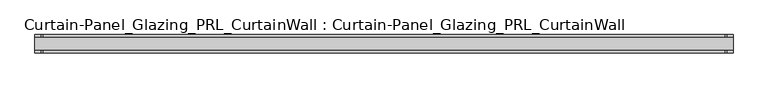
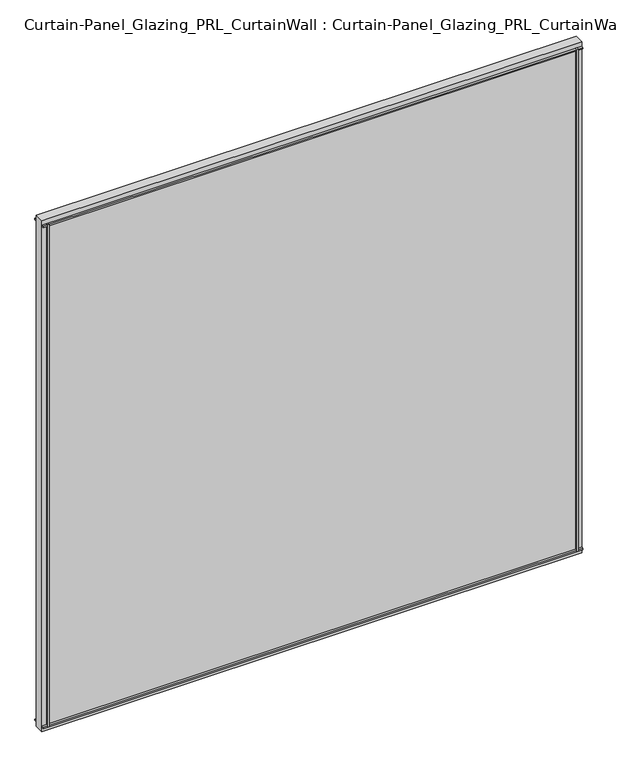
"""IFC4 building model written with IfcOpenShell, lengths in millimetres: plate geometry, Curtain-Panel_Glazing_PRL_CurtainWall : Curtain-Panel_Glazing_PRL_CurtainWall."""

import ifcopenshell
import ifcopenshell.guid

model = None  # the IFC model being written
_history = None  # IfcOwnerHistory: only IFC2X3 demands one
_inside = {}  # id of a spatial element -> (the spatial element, [elements in it])
_under = {}  # id of a project, library or spatial element -> (it, [spatial elements below it])
_declared = {}  # id of a project -> (the project, [libraries it declares])
_typed = {}  # id of a type object -> (the type object, [elements of that type])
_made_of = {}  # id of a material, layer set ... -> (it, [elements and type objects made of it])


def new_model(schema):
    """Start an empty IFC model of exactly this schema.

    Asked for "IFC4X3", IfcOpenShell would pick the latest addendum, in which some entities
    have other attributes; the version numbers below select the first issue.
    IFC2X3 requires an IfcOwnerHistory on every rooted entity: one is made here for all.
    """
    global model, _history
    if schema == "IFC4X3":
        model = ifcopenshell.file(schema_version=(4, 3, 0, 0))
    else:
        model = ifcopenshell.file(schema=schema)
    _inside.clear()
    _under.clear()
    _declared.clear()
    _typed.clear()
    _made_of.clear()
    _history = None
    if model.schema == "IFC2X3":
        org = make("IfcOrganization", Name="unknown")
        user = make(
            "IfcPersonAndOrganization",
            ThePerson=make("IfcPerson", FamilyName="unknown"),
            TheOrganization=org,
        )
        app = make(
            "IfcApplication",
            ApplicationDeveloper=org,
            Version="unknown",
            ApplicationFullName="unknown",
            ApplicationIdentifier="unknown",
        )
        _history = make(
            "IfcOwnerHistory",
            OwningUser=user,
            OwningApplication=app,
            ChangeAction="ADDED",
            CreationDate=0,
        )
    return model


def make(cls, **values):
    """One entity of the class cls with the attributes given. An attribute that is None is left unset."""
    return model.create_entity(
        cls, **{name: value for name, value in values.items() if value is not None}
    )


def rooted(cls, **values):
    """An entity with a GlobalId (a new one), such as an element, a storey or a relation."""
    return make(cls, GlobalId=ifcopenshell.guid.new(), OwnerHistory=_history, **values)


def si_unit(unit_type, name, prefix=None):
    """IfcSIUnit, for example si_unit("LENGTHUNIT", "METRE", prefix="MILLI")."""
    return make("IfcSIUnit", UnitType=unit_type, Prefix=prefix, Name=name)


def assignment(units):
    """IfcUnitAssignment: the units of a project."""
    return None if units is None else make("IfcUnitAssignment", Units=units)


def point(xyz):
    """IfcCartesianPoint."""
    return None if xyz is None else make("IfcCartesianPoint", Coordinates=xyz)


def direction(xyz):
    """IfcDirection."""
    return None if xyz is None else make("IfcDirection", DirectionRatios=xyz)


def frame(location, z_axis=None, x_axis=None):
    """IfcAxis2Placement3D, a coordinate frame: its origin and axes. An axis left out is left unset."""
    return make(
        "IfcAxis2Placement3D",
        Location=point(location),
        Axis=direction(z_axis),
        RefDirection=direction(x_axis),
    )


def origin():
    """The frame at (0, 0, 0) with its axes left unset."""
    return frame((0.0, 0.0, 0.0))


def origin_with_axes():
    """The frame at (0, 0, 0) with the z axis (0, 0, 1) and the x axis (1, 0, 0) written out."""
    return frame((0.0, 0.0, 0.0), z_axis=(0.0, 0.0, 1.0), x_axis=(1.0, 0.0, 0.0))


def place(relative_to, where):
    """IfcLocalPlacement: puts the frame where relative to a parent placement (None: the world)."""
    return make(
        "IfcLocalPlacement", PlacementRelTo=relative_to, RelativePlacement=where
    )


def context(
    kind, dimensions, precision=None, world=None, true_north=None, identifier=None
):
    """IfcGeometricRepresentationContext, for example the 3D "Model" context."""
    return make(
        "IfcGeometricRepresentationContext",
        ContextIdentifier=identifier,
        ContextType=kind,
        CoordinateSpaceDimension=dimensions,
        Precision=precision,
        WorldCoordinateSystem=world,
        TrueNorth=true_north,
    )


def project(units=None, contexts=None):
    """IfcProject with its units and contexts."""
    return rooted(
        "IfcProject",
        Name="project",
        RepresentationContexts=contexts,
        UnitsInContext=assignment(units),
    )


def spatial(cls, under=None, at=None, **own):
    """A site, building, storey or space (cls), placed at a placement, below another one or the project."""
    s = rooted(cls, ObjectPlacement=at, **own)
    if under is not None:
        _under.setdefault(under.id(), (under, []))[1].append(s)
    return s


def polyline(points):
    """IfcPolyline through the points."""
    return make("IfcPolyline", Points=[point(p) for p in points])


def outline(outer, holes=None, kind="AREA"):
    """IfcArbitraryClosedProfileDef: a profile drawn as a closed curve; with holes, ...WithVoids."""
    if holes is None:
        return make("IfcArbitraryClosedProfileDef", ProfileType=kind, OuterCurve=outer)
    return make(
        "IfcArbitraryProfileDefWithVoids",
        ProfileType=kind,
        OuterCurve=outer,
        InnerCurves=holes,
    )


def extrude(swept, where, along, depth):
    """IfcExtrudedAreaSolid: the profile swept, set in the frame where, extruded along a direction by depth."""
    return make(
        "IfcExtrudedAreaSolid",
        SweptArea=swept,
        Position=where,
        ExtrudedDirection=direction(along),
        Depth=depth,
    )


def shape(context_of_items, identifier, shape_type, items):
    """IfcShapeRepresentation: the items that make up one representation, for example the "Body"."""
    return make(
        "IfcShapeRepresentation",
        ContextOfItems=context_of_items,
        RepresentationIdentifier=identifier,
        RepresentationType=shape_type,
        Items=items,
    )


def source(mapping_origin, context_of_items, identifier, shape_type, items):
    """IfcRepresentationMap: a shape defined once, which mapped items show again and again."""
    return make(
        "IfcRepresentationMap",
        MappingOrigin=mapping_origin,
        MappedRepresentation=shape(context_of_items, identifier, shape_type, items),
    )


def transform(
    local_origin,
    x_axis=None,
    y_axis=None,
    z_axis=None,
    scale=None,
    scale2=None,
    scale3=None,
    uniform=True,
):
    """IfcCartesianTransformationOperator3D, or its non-uniform kind. x_axis, y_axis, z_axis: its Axis1, 2, 3."""
    if uniform:
        return make(
            "IfcCartesianTransformationOperator3D",
            Axis1=direction(x_axis),
            Axis2=direction(y_axis),
            LocalOrigin=point(local_origin),
            Scale=scale,
            Axis3=direction(z_axis),
        )
    return make(
        "IfcCartesianTransformationOperator3DnonUniform",
        Axis1=direction(x_axis),
        Axis2=direction(y_axis),
        LocalOrigin=point(local_origin),
        Scale=scale,
        Axis3=direction(z_axis),
        Scale2=scale2,
        Scale3=scale3,
    )


def mapped(mapping_source, mapping_target):
    """IfcMappedItem: shows the shape of a source again, moved by a transform."""
    return make(
        "IfcMappedItem", MappingSource=mapping_source, MappingTarget=mapping_target
    )


def made_of(thing, what):
    """Note that an element or type object is made of a material, layer set ...; save() writes the relation."""
    if what is not None:
        _made_of.setdefault(what.id(), (what, []))[1].append(thing)
    return thing


def element(
    cls,
    number,
    at=None,
    inside=None,
    cuts=None,
    type_object=None,
    material=None,
    context=None,
    identifier="Body",
    shape_type=None,
    held_by="IfcProductDefinitionShape",
    body=None,
    shapes=None,
    **own,
):
    """One element of the class cls, such as IfcWall. Its Tag is "e" and its number.

    at: its placement. inside: the storey or other place that contains it. cuts: it is an
    opening in that element (IfcRelVoidsElement). A single representation is given by context,
    identifier, shape_type and body (its items); several are given by shapes. held_by: the class
    of the entity that holds the representations. save() writes the other relations.
    """
    e = rooted(cls, Tag="e%d" % number, ObjectPlacement=at, **own)
    if body is not None:
        shapes = [shape(context, identifier, shape_type, body)]
    if shapes is not None:
        e.Representation = make(held_by, Representations=shapes)
    if inside is not None:
        _inside.setdefault(inside.id(), (inside, []))[1].append(e)
    if cuts is not None:
        rooted(
            "IfcRelVoidsElement", RelatingBuildingElement=cuts, RelatedOpeningElement=e
        )
    if type_object is not None:
        _typed.setdefault(type_object.id(), (type_object, []))[1].append(e)
    return made_of(e, material)


def aggregate(whole, parts):
    """IfcRelAggregates: a whole, such as a stair, and the parts it consists of."""
    return rooted("IfcRelAggregates", RelatingObject=whole, RelatedObjects=parts)


def save(model, path):
    """Write the relations noted so far, then the file.

    IfcRelAggregates (storeys below a building ...), IfcRelContainedInSpatialStructure (elements
    in a storey), IfcRelDefinesByType, IfcRelAssociatesMaterial and IfcRelDeclares: one each for
    every whole, place, type object, material and project.
    """
    for whole, parts in _under.values():
        aggregate(whole, parts)
    for where, things in _inside.values():
        rooted(
            "IfcRelContainedInSpatialStructure",
            RelatedElements=things,
            RelatingStructure=where,
        )
    for kind, things in _typed.values():
        rooted("IfcRelDefinesByType", RelatedObjects=things, RelatingType=kind)
    for what, things in _made_of.values():
        rooted("IfcRelAssociatesMaterial", RelatedObjects=things, RelatingMaterial=what)
    for by, libraries in _declared.values():
        rooted("IfcRelDeclares", RelatingContext=by, RelatedDefinitions=libraries)
    model.write(path)


def curtain_panel_glazing_prl_curtainwall_curtain_panel_glazing_f3d3785e(model_context):
    return source(origin(), model_context, "Body", "SweptSolid", [
        extrude(outline(polyline([(711.2, -19.05), (707.23125, -19.05), (707.23125, -12.7), (711.2, -12.7), (711.2, -19.05)])), frame((0.0, 0.0, 12.7), z_axis=(0.0, 0.0, 1.0), x_axis=(1.0, 0.0, 0.0)), (0.0, 0.0, 1.0), 1422.4),
        extrude(outline(polyline([(711.2, 19.05), (711.2, 12.7), (707.23125, 12.7), (707.23125, 19.05), (711.2, 19.05)])), frame((0.0, 0.0, 12.7), z_axis=(0.0, 0.0, 1.0), x_axis=(1.0, 0.0, 0.0)), (0.0, 0.0, 1.0), 1422.4),
        extrude(outline(polyline([(-711.2, -19.05), (-711.2, -12.7), (-707.23125, -12.7), (-707.23125, -19.05), (-711.2, -19.05)])), frame((0.0, 0.0, 12.7), z_axis=(0.0, 0.0, 1.0), x_axis=(1.0, 0.0, 0.0)), (0.0, 0.0, 1.0), 1422.4),
        extrude(outline(polyline([(-711.2, 19.05), (-707.23125, 19.05), (-707.23125, 12.7), (-711.2, 12.7), (-711.2, 19.05)])), frame((0.0, 0.0, 12.7), z_axis=(0.0, 0.0, 1.0), x_axis=(1.0, 0.0, 0.0)), (0.0, 0.0, 1.0), 1422.4),
        extrude(outline(polyline([(723.9, 12.7), (723.9, -12.7), (-723.9, -12.7), (-723.9, 12.7), (723.9, 12.7)])), origin_with_axes(), (0.0, 0.0, 1.0), 1447.8),
        extrude(outline(polyline([(-723.9, -19.05), (-723.9, -12.7), (723.9, -12.7), (723.9, -19.05), (-723.9, -19.05)])), frame((0.0, 0.0, 1431.13125), z_axis=(0.0, 0.0, 1.0), x_axis=(1.0, 0.0, 0.0)), (0.0, 0.0, 1.0), 3.96875),
        extrude(outline(polyline([(-723.9, 19.05), (723.9, 19.05), (723.9, 12.7), (-723.9, 12.7), (-723.9, 19.05)])), frame((0.0, 0.0, 1431.13125), z_axis=(0.0, 0.0, 1.0), x_axis=(1.0, 0.0, 0.0)), (0.0, 0.0, 1.0), 3.96875),
        extrude(outline(polyline([(-723.9, -19.05), (-723.9, -12.7), (723.9, -12.7), (723.9, -19.05), (-723.9, -19.05)])), frame((0.0, 0.0, 12.7), z_axis=(0.0, 0.0, 1.0), x_axis=(1.0, 0.0, 0.0)), (0.0, 0.0, 1.0), 3.96875),
        extrude(outline(polyline([(-723.9, 19.05), (723.9, 19.05), (723.9, 12.7), (-723.9, 12.7), (-723.9, 19.05)])), frame((0.0, 0.0, 12.7), z_axis=(0.0, 0.0, 1.0), x_axis=(1.0, 0.0, 0.0)), (0.0, 0.0, 1.0), 3.96875),
    ])


if __name__ == "__main__":
    model = new_model("IFC4")
    model_context = context("Model", 3, world=origin())
    ifc_project = project(units=[si_unit("LENGTHUNIT", "METRE", prefix="MILLI")], contexts=[model_context])
    site = spatial("IfcSite", under=ifc_project)
    building = spatial("IfcBuilding", under=site)
    placement = place(None, origin())
    curtain_panel_glazing_prl_curtainwall_curtain_panel_glazing_shape = curtain_panel_glazing_prl_curtainwall_curtain_panel_glazing_f3d3785e(model_context)
    element("IfcPlate", 1, ObjectType="Curtain-Panel_Glazing_PRL_CurtainWall : Curtain-Panel_Glazing_PRL_CurtainWall", at=placement, inside=building, context=model_context, shape_type="MappedRepresentation", body=[
        mapped(curtain_panel_glazing_prl_curtainwall_curtain_panel_glazing_shape, transform((0.0, 0.0, 0.0), x_axis=(1.0, 0.0, 0.0), y_axis=(0.0, 1.0, 0.0), z_axis=(0.0, 0.0, 1.0))),
    ])
    save(model, "model.ifc")
